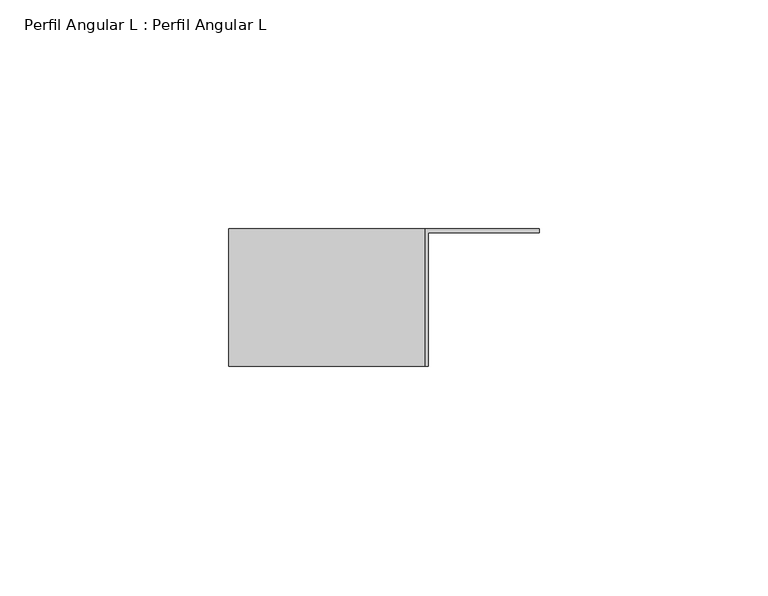
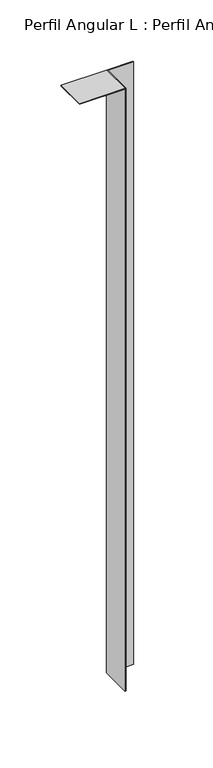
"""IFC4 building model written with IfcOpenShell, lengths in millimetres: proxy geometry, Perfil Angular L : Perfil Angular L."""

import ifcopenshell
import ifcopenshell.guid

model = None  # the IFC model being written
_history = None  # IfcOwnerHistory: only IFC2X3 demands one
_inside = {}  # id of a spatial element -> (the spatial element, [elements in it])
_under = {}  # id of a project, library or spatial element -> (it, [spatial elements below it])
_declared = {}  # id of a project -> (the project, [libraries it declares])
_typed = {}  # id of a type object -> (the type object, [elements of that type])
_made_of = {}  # id of a material, layer set ... -> (it, [elements and type objects made of it])


def new_model(schema):
    """Start an empty IFC model of exactly this schema.

    Asked for "IFC4X3", IfcOpenShell would pick the latest addendum, in which some entities
    have other attributes; the version numbers below select the first issue.
    IFC2X3 requires an IfcOwnerHistory on every rooted entity: one is made here for all.
    """
    global model, _history
    if schema == "IFC4X3":
        model = ifcopenshell.file(schema_version=(4, 3, 0, 0))
    else:
        model = ifcopenshell.file(schema=schema)
    _inside.clear()
    _under.clear()
    _declared.clear()
    _typed.clear()
    _made_of.clear()
    _history = None
    if model.schema == "IFC2X3":
        org = make("IfcOrganization", Name="unknown")
        user = make(
            "IfcPersonAndOrganization",
            ThePerson=make("IfcPerson", FamilyName="unknown"),
            TheOrganization=org,
        )
        app = make(
            "IfcApplication",
            ApplicationDeveloper=org,
            Version="unknown",
            ApplicationFullName="unknown",
            ApplicationIdentifier="unknown",
        )
        _history = make(
            "IfcOwnerHistory",
            OwningUser=user,
            OwningApplication=app,
            ChangeAction="ADDED",
            CreationDate=0,
        )
    return model


def make(cls, **values):
    """One entity of the class cls with the attributes given. An attribute that is None is left unset."""
    return model.create_entity(
        cls, **{name: value for name, value in values.items() if value is not None}
    )


def rooted(cls, **values):
    """An entity with a GlobalId (a new one), such as an element, a storey or a relation."""
    return make(cls, GlobalId=ifcopenshell.guid.new(), OwnerHistory=_history, **values)


def si_unit(unit_type, name, prefix=None):
    """IfcSIUnit, for example si_unit("LENGTHUNIT", "METRE", prefix="MILLI")."""
    return make("IfcSIUnit", UnitType=unit_type, Prefix=prefix, Name=name)


def assignment(units):
    """IfcUnitAssignment: the units of a project."""
    return None if units is None else make("IfcUnitAssignment", Units=units)


def point(xyz):
    """IfcCartesianPoint."""
    return None if xyz is None else make("IfcCartesianPoint", Coordinates=xyz)


def direction(xyz):
    """IfcDirection."""
    return None if xyz is None else make("IfcDirection", DirectionRatios=xyz)


def frame(location, z_axis=None, x_axis=None):
    """IfcAxis2Placement3D, a coordinate frame: its origin and axes. An axis left out is left unset."""
    return make(
        "IfcAxis2Placement3D",
        Location=point(location),
        Axis=direction(z_axis),
        RefDirection=direction(x_axis),
    )


def origin():
    """The frame at (0, 0, 0) with its axes left unset."""
    return frame((0.0, 0.0, 0.0))


def origin_with_axes():
    """The frame at (0, 0, 0) with the z axis (0, 0, 1) and the x axis (1, 0, 0) written out."""
    return frame((0.0, 0.0, 0.0), z_axis=(0.0, 0.0, 1.0), x_axis=(1.0, 0.0, 0.0))


def place(relative_to, where):
    """IfcLocalPlacement: puts the frame where relative to a parent placement (None: the world)."""
    return make(
        "IfcLocalPlacement", PlacementRelTo=relative_to, RelativePlacement=where
    )


def context(
    kind, dimensions, precision=None, world=None, true_north=None, identifier=None
):
    """IfcGeometricRepresentationContext, for example the 3D "Model" context."""
    return make(
        "IfcGeometricRepresentationContext",
        ContextIdentifier=identifier,
        ContextType=kind,
        CoordinateSpaceDimension=dimensions,
        Precision=precision,
        WorldCoordinateSystem=world,
        TrueNorth=true_north,
    )


def project(units=None, contexts=None):
    """IfcProject with its units and contexts."""
    return rooted(
        "IfcProject",
        Name="project",
        RepresentationContexts=contexts,
        UnitsInContext=assignment(units),
    )


def spatial(cls, under=None, at=None, **own):
    """A site, building, storey or space (cls), placed at a placement, below another one or the project."""
    s = rooted(cls, ObjectPlacement=at, **own)
    if under is not None:
        _under.setdefault(under.id(), (under, []))[1].append(s)
    return s


def polyline(points):
    """IfcPolyline through the points."""
    return make("IfcPolyline", Points=[point(p) for p in points])


def outline(outer, holes=None, kind="AREA"):
    """IfcArbitraryClosedProfileDef: a profile drawn as a closed curve; with holes, ...WithVoids."""
    if holes is None:
        return make("IfcArbitraryClosedProfileDef", ProfileType=kind, OuterCurve=outer)
    return make(
        "IfcArbitraryProfileDefWithVoids",
        ProfileType=kind,
        OuterCurve=outer,
        InnerCurves=holes,
    )


def extrude(swept, where, along, depth):
    """IfcExtrudedAreaSolid: the profile swept, set in the frame where, extruded along a direction by depth."""
    return make(
        "IfcExtrudedAreaSolid",
        SweptArea=swept,
        Position=where,
        ExtrudedDirection=direction(along),
        Depth=depth,
    )


def shape(context_of_items, identifier, shape_type, items):
    """IfcShapeRepresentation: the items that make up one representation, for example the "Body"."""
    return make(
        "IfcShapeRepresentation",
        ContextOfItems=context_of_items,
        RepresentationIdentifier=identifier,
        RepresentationType=shape_type,
        Items=items,
    )


def source(mapping_origin, context_of_items, identifier, shape_type, items):
    """IfcRepresentationMap: a shape defined once, which mapped items show again and again."""
    return make(
        "IfcRepresentationMap",
        MappingOrigin=mapping_origin,
        MappedRepresentation=shape(context_of_items, identifier, shape_type, items),
    )


def transform(
    local_origin,
    x_axis=None,
    y_axis=None,
    z_axis=None,
    scale=None,
    scale2=None,
    scale3=None,
    uniform=True,
):
    """IfcCartesianTransformationOperator3D, or its non-uniform kind. x_axis, y_axis, z_axis: its Axis1, 2, 3."""
    if uniform:
        return make(
            "IfcCartesianTransformationOperator3D",
            Axis1=direction(x_axis),
            Axis2=direction(y_axis),
            LocalOrigin=point(local_origin),
            Scale=scale,
            Axis3=direction(z_axis),
        )
    return make(
        "IfcCartesianTransformationOperator3DnonUniform",
        Axis1=direction(x_axis),
        Axis2=direction(y_axis),
        LocalOrigin=point(local_origin),
        Scale=scale,
        Axis3=direction(z_axis),
        Scale2=scale2,
        Scale3=scale3,
    )


def mapped(mapping_source, mapping_target):
    """IfcMappedItem: shows the shape of a source again, moved by a transform."""
    return make(
        "IfcMappedItem", MappingSource=mapping_source, MappingTarget=mapping_target
    )


def made_of(thing, what):
    """Note that an element or type object is made of a material, layer set ...; save() writes the relation."""
    if what is not None:
        _made_of.setdefault(what.id(), (what, []))[1].append(thing)
    return thing


def element(
    cls,
    number,
    at=None,
    inside=None,
    cuts=None,
    type_object=None,
    material=None,
    context=None,
    identifier="Body",
    shape_type=None,
    held_by="IfcProductDefinitionShape",
    body=None,
    shapes=None,
    **own,
):
    """One element of the class cls, such as IfcWall. Its Tag is "e" and its number.

    at: its placement. inside: the storey or other place that contains it. cuts: it is an
    opening in that element (IfcRelVoidsElement). A single representation is given by context,
    identifier, shape_type and body (its items); several are given by shapes. held_by: the class
    of the entity that holds the representations. save() writes the other relations.
    """
    e = rooted(cls, Tag="e%d" % number, ObjectPlacement=at, **own)
    if body is not None:
        shapes = [shape(context, identifier, shape_type, body)]
    if shapes is not None:
        e.Representation = make(held_by, Representations=shapes)
    if inside is not None:
        _inside.setdefault(inside.id(), (inside, []))[1].append(e)
    if cuts is not None:
        rooted(
            "IfcRelVoidsElement", RelatingBuildingElement=cuts, RelatedOpeningElement=e
        )
    if type_object is not None:
        _typed.setdefault(type_object.id(), (type_object, []))[1].append(e)
    return made_of(e, material)


def aggregate(whole, parts):
    """IfcRelAggregates: a whole, such as a stair, and the parts it consists of."""
    return rooted("IfcRelAggregates", RelatingObject=whole, RelatedObjects=parts)


def save(model, path):
    """Write the relations noted so far, then the file.

    IfcRelAggregates (storeys below a building ...), IfcRelContainedInSpatialStructure (elements
    in a storey), IfcRelDefinesByType, IfcRelAssociatesMaterial and IfcRelDeclares: one each for
    every whole, place, type object, material and project.
    """
    for whole, parts in _under.values():
        aggregate(whole, parts)
    for where, things in _inside.values():
        rooted(
            "IfcRelContainedInSpatialStructure",
            RelatedElements=things,
            RelatingStructure=where,
        )
    for kind, things in _typed.values():
        rooted("IfcRelDefinesByType", RelatedObjects=things, RelatingType=kind)
    for what, things in _made_of.values():
        rooted("IfcRelAssociatesMaterial", RelatedObjects=things, RelatingMaterial=what)
    for by, libraries in _declared.values():
        rooted("IfcRelDeclares", RelatingContext=by, RelatedDefinitions=libraries)
    model.write(path)


def perfil_angular_l_perfil_angular_l_34959dec(model_context):
    return source(origin(), model_context, "Body", "SweptSolid", [
        extrude(outline(polyline([(-55.2912174, 15.8), (-12.5, 15.8), (-12.5, -14.2), (-55.2912174, -14.2), (-55.2912174, 15.8)])), frame((0.0, 0.0, 599.2), z_axis=(0.0, 0.0, 1.0), x_axis=(1.0, 0.0, 0.0)), (0.0, 0.0, 1.0), 0.8),
        extrude(outline(polyline([(-12.5, 15.8), (12.5, 15.8), (12.5, 15.0), (-11.7, 15.0), (-11.7, -14.2), (-12.5, -14.2), (-12.5, 15.8)])), origin_with_axes(), (0.0, 0.0, 1.0), 600.0),
    ])


if __name__ == "__main__":
    model = new_model("IFC4")
    model_context = context("Model", 3, world=origin())
    ifc_project = project(units=[si_unit("LENGTHUNIT", "METRE", prefix="MILLI")], contexts=[model_context])
    site = spatial("IfcSite", under=ifc_project)
    building = spatial("IfcBuilding", under=site)
    placement = place(None, origin())
    perfil_angular_l_perfil_angular_l_shape = perfil_angular_l_perfil_angular_l_34959dec(model_context)
    element("IfcBuildingElementProxy", 1, Name="Perfil Angular L : Perfil Angular L", ObjectType="Perfil Angular L : Perfil Angular L", at=placement, inside=building, context=model_context, shape_type="MappedRepresentation", body=[
        mapped(perfil_angular_l_perfil_angular_l_shape, transform((0.0, 0.0, 0.0), x_axis=(1.0, 0.0, 0.0), y_axis=(0.0, 1.0, 0.0), z_axis=(0.0, 0.0, 1.0))),
    ])
    save(model, "model.ifc")
